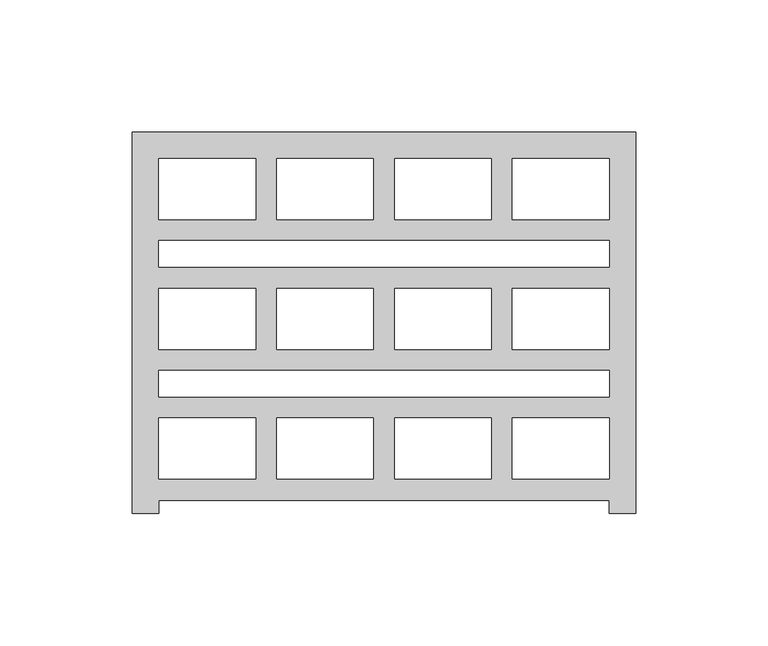
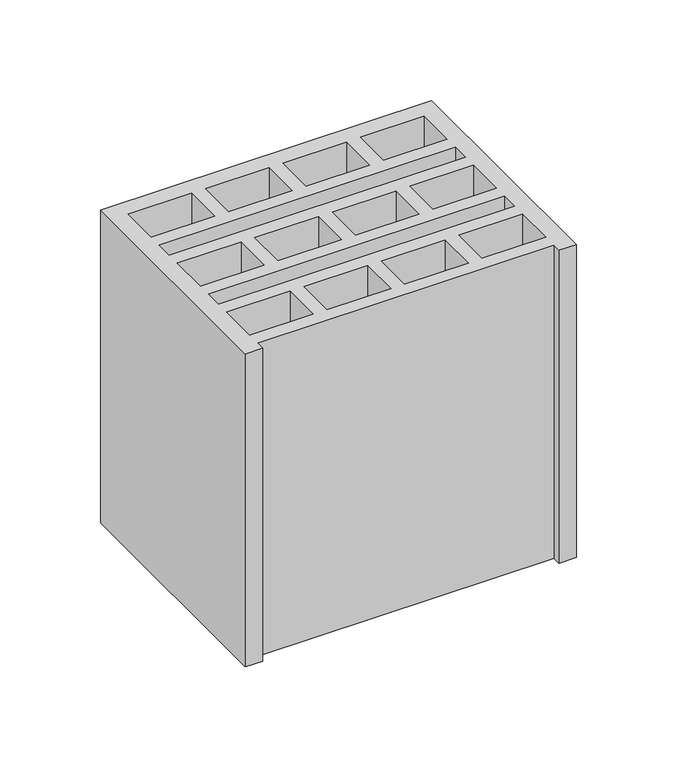
"""IFC4 building model written with IfcOpenShell, lengths in millimetres: proxy geometry."""

import ifcopenshell
import ifcopenshell.guid

model = None  # the IFC model being written
_history = None  # IfcOwnerHistory: only IFC2X3 demands one
_inside = {}  # id of a spatial element -> (the spatial element, [elements in it])
_under = {}  # id of a project, library or spatial element -> (it, [spatial elements below it])
_declared = {}  # id of a project -> (the project, [libraries it declares])
_typed = {}  # id of a type object -> (the type object, [elements of that type])
_made_of = {}  # id of a material, layer set ... -> (it, [elements and type objects made of it])


def new_model(schema):
    """Start an empty IFC model of exactly this schema.

    Asked for "IFC4X3", IfcOpenShell would pick the latest addendum, in which some entities
    have other attributes; the version numbers below select the first issue.
    IFC2X3 requires an IfcOwnerHistory on every rooted entity: one is made here for all.
    """
    global model, _history
    if schema == "IFC4X3":
        model = ifcopenshell.file(schema_version=(4, 3, 0, 0))
    else:
        model = ifcopenshell.file(schema=schema)
    _inside.clear()
    _under.clear()
    _declared.clear()
    _typed.clear()
    _made_of.clear()
    _history = None
    if model.schema == "IFC2X3":
        org = make("IfcOrganization", Name="unknown")
        user = make(
            "IfcPersonAndOrganization",
            ThePerson=make("IfcPerson", FamilyName="unknown"),
            TheOrganization=org,
        )
        app = make(
            "IfcApplication",
            ApplicationDeveloper=org,
            Version="unknown",
            ApplicationFullName="unknown",
            ApplicationIdentifier="unknown",
        )
        _history = make(
            "IfcOwnerHistory",
            OwningUser=user,
            OwningApplication=app,
            ChangeAction="ADDED",
            CreationDate=0,
        )
    return model


def make(cls, **values):
    """One entity of the class cls with the attributes given. An attribute that is None is left unset."""
    return model.create_entity(
        cls, **{name: value for name, value in values.items() if value is not None}
    )


def rooted(cls, **values):
    """An entity with a GlobalId (a new one), such as an element, a storey or a relation."""
    return make(cls, GlobalId=ifcopenshell.guid.new(), OwnerHistory=_history, **values)


def si_unit(unit_type, name, prefix=None):
    """IfcSIUnit, for example si_unit("LENGTHUNIT", "METRE", prefix="MILLI")."""
    return make("IfcSIUnit", UnitType=unit_type, Prefix=prefix, Name=name)


def assignment(units):
    """IfcUnitAssignment: the units of a project."""
    return None if units is None else make("IfcUnitAssignment", Units=units)


def point(xyz):
    """IfcCartesianPoint."""
    return None if xyz is None else make("IfcCartesianPoint", Coordinates=xyz)


def direction(xyz):
    """IfcDirection."""
    return None if xyz is None else make("IfcDirection", DirectionRatios=xyz)


def frame(location, z_axis=None, x_axis=None):
    """IfcAxis2Placement3D, a coordinate frame: its origin and axes. An axis left out is left unset."""
    return make(
        "IfcAxis2Placement3D",
        Location=point(location),
        Axis=direction(z_axis),
        RefDirection=direction(x_axis),
    )


def origin():
    """The frame at (0, 0, 0) with its axes left unset."""
    return frame((0.0, 0.0, 0.0))


def origin_with_axes():
    """The frame at (0, 0, 0) with the z axis (0, 0, 1) and the x axis (1, 0, 0) written out."""
    return frame((0.0, 0.0, 0.0), z_axis=(0.0, 0.0, 1.0), x_axis=(1.0, 0.0, 0.0))


def place(relative_to, where):
    """IfcLocalPlacement: puts the frame where relative to a parent placement (None: the world)."""
    return make(
        "IfcLocalPlacement", PlacementRelTo=relative_to, RelativePlacement=where
    )


def context(
    kind, dimensions, precision=None, world=None, true_north=None, identifier=None
):
    """IfcGeometricRepresentationContext, for example the 3D "Model" context."""
    return make(
        "IfcGeometricRepresentationContext",
        ContextIdentifier=identifier,
        ContextType=kind,
        CoordinateSpaceDimension=dimensions,
        Precision=precision,
        WorldCoordinateSystem=world,
        TrueNorth=true_north,
    )


def project(units=None, contexts=None):
    """IfcProject with its units and contexts."""
    return rooted(
        "IfcProject",
        Name="project",
        RepresentationContexts=contexts,
        UnitsInContext=assignment(units),
    )


def spatial(cls, under=None, at=None, **own):
    """A site, building, storey or space (cls), placed at a placement, below another one or the project."""
    s = rooted(cls, ObjectPlacement=at, **own)
    if under is not None:
        _under.setdefault(under.id(), (under, []))[1].append(s)
    return s


def polyline(points):
    """IfcPolyline through the points."""
    return make("IfcPolyline", Points=[point(p) for p in points])


def outline(outer, holes=None, kind="AREA"):
    """IfcArbitraryClosedProfileDef: a profile drawn as a closed curve; with holes, ...WithVoids."""
    if holes is None:
        return make("IfcArbitraryClosedProfileDef", ProfileType=kind, OuterCurve=outer)
    return make(
        "IfcArbitraryProfileDefWithVoids",
        ProfileType=kind,
        OuterCurve=outer,
        InnerCurves=holes,
    )


def extrude(swept, where, along, depth):
    """IfcExtrudedAreaSolid: the profile swept, set in the frame where, extruded along a direction by depth."""
    return make(
        "IfcExtrudedAreaSolid",
        SweptArea=swept,
        Position=where,
        ExtrudedDirection=direction(along),
        Depth=depth,
    )


def shape(context_of_items, identifier, shape_type, items):
    """IfcShapeRepresentation: the items that make up one representation, for example the "Body"."""
    return make(
        "IfcShapeRepresentation",
        ContextOfItems=context_of_items,
        RepresentationIdentifier=identifier,
        RepresentationType=shape_type,
        Items=items,
    )


def source(mapping_origin, context_of_items, identifier, shape_type, items):
    """IfcRepresentationMap: a shape defined once, which mapped items show again and again."""
    return make(
        "IfcRepresentationMap",
        MappingOrigin=mapping_origin,
        MappedRepresentation=shape(context_of_items, identifier, shape_type, items),
    )


def transform(
    local_origin,
    x_axis=None,
    y_axis=None,
    z_axis=None,
    scale=None,
    scale2=None,
    scale3=None,
    uniform=True,
):
    """IfcCartesianTransformationOperator3D, or its non-uniform kind. x_axis, y_axis, z_axis: its Axis1, 2, 3."""
    if uniform:
        return make(
            "IfcCartesianTransformationOperator3D",
            Axis1=direction(x_axis),
            Axis2=direction(y_axis),
            LocalOrigin=point(local_origin),
            Scale=scale,
            Axis3=direction(z_axis),
        )
    return make(
        "IfcCartesianTransformationOperator3DnonUniform",
        Axis1=direction(x_axis),
        Axis2=direction(y_axis),
        LocalOrigin=point(local_origin),
        Scale=scale,
        Axis3=direction(z_axis),
        Scale2=scale2,
        Scale3=scale3,
    )


def mapped(mapping_source, mapping_target):
    """IfcMappedItem: shows the shape of a source again, moved by a transform."""
    return make(
        "IfcMappedItem", MappingSource=mapping_source, MappingTarget=mapping_target
    )


def made_of(thing, what):
    """Note that an element or type object is made of a material, layer set ...; save() writes the relation."""
    if what is not None:
        _made_of.setdefault(what.id(), (what, []))[1].append(thing)
    return thing


def element(
    cls,
    number,
    at=None,
    inside=None,
    cuts=None,
    type_object=None,
    material=None,
    context=None,
    identifier="Body",
    shape_type=None,
    held_by="IfcProductDefinitionShape",
    body=None,
    shapes=None,
    **own,
):
    """One element of the class cls, such as IfcWall. Its Tag is "e" and its number.

    at: its placement. inside: the storey or other place that contains it. cuts: it is an
    opening in that element (IfcRelVoidsElement). A single representation is given by context,
    identifier, shape_type and body (its items); several are given by shapes. held_by: the class
    of the entity that holds the representations. save() writes the other relations.
    """
    e = rooted(cls, Tag="e%d" % number, ObjectPlacement=at, **own)
    if body is not None:
        shapes = [shape(context, identifier, shape_type, body)]
    if shapes is not None:
        e.Representation = make(held_by, Representations=shapes)
    if inside is not None:
        _inside.setdefault(inside.id(), (inside, []))[1].append(e)
    if cuts is not None:
        rooted(
            "IfcRelVoidsElement", RelatingBuildingElement=cuts, RelatedOpeningElement=e
        )
    if type_object is not None:
        _typed.setdefault(type_object.id(), (type_object, []))[1].append(e)
    return made_of(e, material)


def aggregate(whole, parts):
    """IfcRelAggregates: a whole, such as a stair, and the parts it consists of."""
    return rooted("IfcRelAggregates", RelatingObject=whole, RelatedObjects=parts)


def save(model, path):
    """Write the relations noted so far, then the file.

    IfcRelAggregates (storeys below a building ...), IfcRelContainedInSpatialStructure (elements
    in a storey), IfcRelDefinesByType, IfcRelAssociatesMaterial and IfcRelDeclares: one each for
    every whole, place, type object, material and project.
    """
    for whole, parts in _under.values():
        aggregate(whole, parts)
    for where, things in _inside.values():
        rooted(
            "IfcRelContainedInSpatialStructure",
            RelatedElements=things,
            RelatingStructure=where,
        )
    for kind, things in _typed.values():
        rooted("IfcRelDefinesByType", RelatedObjects=things, RelatingType=kind)
    for what, things in _made_of.values():
        rooted("IfcRelAssociatesMaterial", RelatedObjects=things, RelatingMaterial=what)
    for by, libraries in _declared.values():
        rooted("IfcRelDeclares", RelatingContext=by, RelatedDefinitions=libraries)
    model.write(path)


def generic_models_89833778(model_context):
    return source(origin(), model_context, "Body", "SweptSolid", [
        extrude(outline(polyline([(0.0, 144.0), (190.0, 144.0), (190.0, 0.0), (180.0, 0.0), (180.0, 5.0), (10.0, 5.0), (10.0, 0.0), (0.0, 0.0), (0.0, 144.0)]), holes=[polyline([(143.5, 134.0), (143.5, 111.0), (180.0, 111.0), (180.0, 134.0), (143.5, 134.0)]), polyline([(10.0, 93.0), (180.0, 93.0), (180.0, 103.0), (10.0, 103.0), (10.0, 93.0)]), polyline([(10.0, 54.0), (10.0, 44.0), (180.0, 44.0), (180.0, 54.0), (10.0, 54.0)]), polyline([(99.0, 134.0), (99.0, 111.0), (135.5, 111.0), (135.5, 134.0), (99.0, 134.0)]), polyline([(54.5, 134.0), (54.5, 111.0), (91.0, 111.0), (91.0, 134.0), (54.5, 134.0)]), polyline([(10.0, 134.0), (10.0, 111.0), (46.5, 111.0), (46.5, 134.0), (10.0, 134.0)]), polyline([(143.5, 62.0), (180.0, 62.0), (180.0, 85.0), (143.5, 85.0), (143.5, 62.0)]), polyline([(99.0, 62.0), (135.5, 62.0), (135.5, 85.0), (99.0, 85.0), (99.0, 62.0)]), polyline([(54.5, 62.0), (91.0, 62.0), (91.0, 85.0), (54.5, 85.0), (54.5, 62.0)]), polyline([(10.0, 62.0), (46.5, 62.0), (46.5, 85.0), (10.0, 85.0), (10.0, 62.0)]), polyline([(143.5, 36.0), (143.5, 13.0), (180.0, 13.0), (180.0, 36.0), (143.5, 36.0)]), polyline([(99.0, 36.0), (99.0, 13.0), (135.5, 13.0), (135.5, 36.0), (99.0, 36.0)]), polyline([(54.5, 36.0), (54.5, 13.0), (91.0, 13.0), (91.0, 36.0), (54.5, 36.0)]), polyline([(10.0, 36.0), (10.0, 13.0), (46.5, 13.0), (46.5, 36.0), (10.0, 36.0)])]), origin_with_axes(), (0.0, 0.0, 1.0), 190.0),
    ])


if __name__ == "__main__":
    model = new_model("IFC4")
    model_context = context("Model", 3, world=origin())
    ifc_project = project(units=[si_unit("LENGTHUNIT", "METRE", prefix="MILLI")], contexts=[model_context])
    site = spatial("IfcSite", under=ifc_project)
    building = spatial("IfcBuilding", under=site)
    placement = place(None, origin())
    generic_models_shape = generic_models_89833778(model_context)
    element("IfcBuildingElementProxy", 1, Name="Generic Models", at=placement, inside=building, context=model_context, shape_type="MappedRepresentation", body=[
        mapped(generic_models_shape, transform((0.0, 0.0, 0.0), x_axis=(1.0, 0.0, 0.0), y_axis=(0.0, 1.0, 0.0), z_axis=(0.0, 0.0, 1.0))),
    ])
    save(model, "model.ifc")
